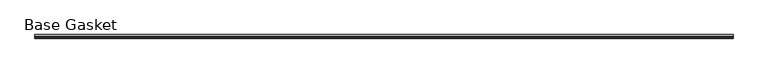
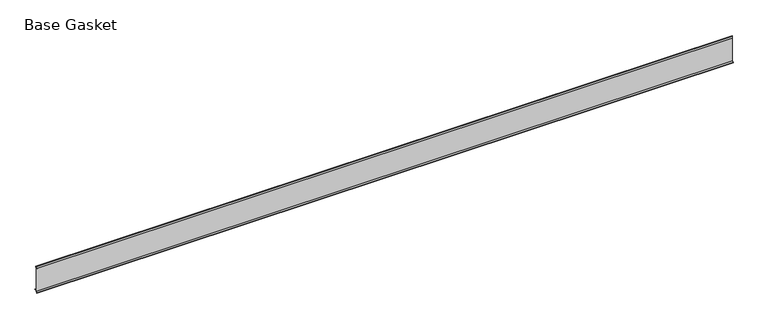
"""IFC4 building model written with IfcOpenShell, lengths in millimetres: furniture geometry, Base Gasket."""

from ifc_helpers import new_model, si_unit, frame, origin, place, context, project, spatial, polyline, outline, extrude, source, transform, mapped, element, save


def base_gasket_5e9fda6b(model_context):
    return source(origin(), model_context, "Body", "SweptSolid", [
        extrude(outline(polyline([(-3.7283812, 98.4568417), (-1.1891543, 104.587663), (-0.6755308, 105.2002997), (-0.6755308, 104.4162708), (-2.2043812, 98.4568417), (-2.2043812, 96.8693477), (-1.4106313, 96.8693477), (-1.4106313, 71.4693447), (-2.2043812, 71.4693447), (-2.2043812, 7.9398773), (6.2405171, 7.9398773), (6.2405171, 6.3818476), (-2.1334222, 6.3818476), (-2.2043812, 4.3498477), (-6.8281054, 0.3520979), (-7.8482342, 0.0), (-7.4222115, 0.6560174), (-3.7283812, 4.3498477), (-3.7283812, 98.4568417)])), frame((-1527.8982117, 0.0, 0.0), z_axis=(1.0, 0.0, 0.0), x_axis=(0.0, 1.0, 0.0)), (0.0, 0.0, 1.0), 2711.5277244),
    ])


if __name__ == "__main__":
    model = new_model("IFC4")
    model_context = context("Model", 3, world=origin())
    ifc_project = project(units=[si_unit("LENGTHUNIT", "METRE", prefix="MILLI")], contexts=[model_context])
    site = spatial("IfcSite", under=ifc_project)
    building = spatial("IfcBuilding", under=site)
    placement = place(None, origin())
    base_gasket_shape = base_gasket_5e9fda6b(model_context)
    element("IfcFurniture", 1, ObjectType="Base Gasket", at=placement, inside=building, context=model_context, shape_type="MappedRepresentation", body=[
        mapped(base_gasket_shape, transform((0.0, 0.0, 0.0), x_axis=(1.0, 0.0, 0.0), y_axis=(0.0, 1.0, 0.0), z_axis=(0.0, 0.0, 1.0))),
    ])
    save(model, "model.ifc")
